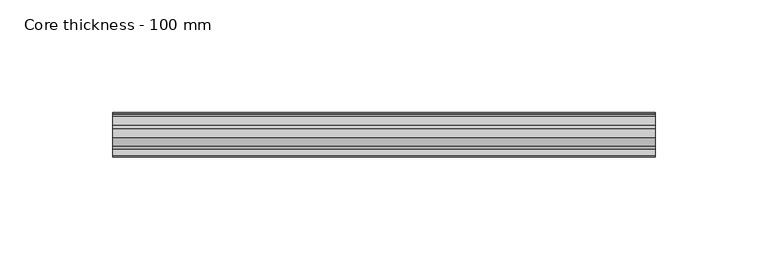
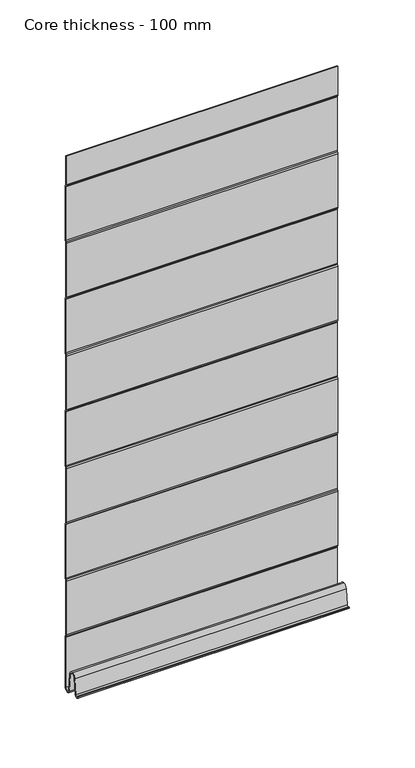
"""IFC4 building model written with IfcOpenShell, lengths in millimetres: plate geometry, Core thickness - 100 mm."""

from ifc_helpers import new_model, si_unit, frame, origin, place, context, project, spatial, polyline, circle_curve, source, transform, mapped, element, save
from ifc_brep_helpers import plane_surface, cylinder_surface, revolved_surface, advanced_brep


def core_thickness_100_mm_8d5151e4(model_context):
    return source(origin(), model_context, "Body", "AdvancedBrep", [
        advanced_brep(
        [(-119.9999998, -0.7003051, 473.4703605), (-119.9999998, -0.4016712, 472.4190026), (-119.9999998, -0.0003051, 470.9985637), (-119.9999998, -0.0003051, 420.8387805), (-119.9999998, -0.4034608, 419.4194474), (-119.9999998, -0.7003051, 418.3669837), (-119.9999998, -0.7003051, 368.2072005), (-119.9999998, -0.4016712, 367.1558426), (-119.9999998, -0.0003051, 365.7354037), (-119.9999998, -0.0003051, 315.5756205), (-119.9999998, -0.4034608, 314.1562874), (-119.9999998, -0.7003051, 313.1038237), (-119.9999998, -0.7003051, 262.9440405), (-119.9999998, -0.4016712, 261.8926826), (-119.9999998, -0.0003051, 260.4722437), (-119.9999998, -0.0003051, 210.3124605), (-119.9999998, -0.4034608, 208.8931274), (-119.9999998, -0.7003051, 207.8406637), (-119.9999998, -0.7003051, 157.6808805), (-119.9999998, -0.4016712, 156.6295226), (-119.9999998, -0.0003051, 155.2090837), (-119.9999998, -0.0003051, 105.0493005), (-119.9999998, -0.4034608, 103.6299674), (-119.9999998, -0.7003051, 102.5775037), (-119.9999998, -0.7003051, 52.4177205), (-119.9999998, -0.4016712, 51.3663626), (-119.9999998, -0.0003051, 49.9459237), (-119.9999998, -0.0003051, 3.0900682), (-119.9999998, -6.18551, 2.7875612), (-119.9999998, -7.802884, 19.2828169), (-119.9999998, -10.8223285, 21.9898782), (-119.9999998, -13.8417729, 19.2828169), (-119.9999998, -15.2274002, 5.1510966), (-119.9999998, -19.6169005, 5.365779), (-119.9999998, -18.8169005, 5.365779), (-119.9999998, -16.0235822, 5.2291629), (-119.9999998, -14.6379549, 19.3608832), (-119.9999998, -10.8223285, 22.7899182), (-119.9999998, -7.0067021, 19.3608832), (-119.9999998, -5.3893281, 2.8656275), (-119.9999998, -0.8003051, 3.0900682), (-119.9999998, -0.8, 49.9459237), (-119.9999998, -1.0986697, 50.9973395), (-119.9999998, -1.5003051, 52.4177205), (-119.9999998, -1.5003051, 102.5775037), (-119.9999998, -1.0971009, 103.9969151), (-119.9999998, -0.8, 105.0493005), (-119.9999998, -0.8, 155.2090837), (-119.9999998, -1.0986697, 156.2604995), (-119.9999998, -1.5003051, 157.6808805), (-119.9999998, -1.5003051, 207.8406637), (-119.9999998, -1.0971009, 209.2600751), (-119.9999998, -0.8, 210.3124605), (-119.9999998, -0.8, 260.4722437), (-119.9999998, -1.0986697, 261.5236595), (-119.9999998, -1.5003051, 262.9440405), (-119.9999998, -1.5003051, 313.1038237), (-119.9999998, -1.0971009, 314.5232351), (-119.9999998, -0.8, 315.5756205), (-119.9999998, -0.8, 365.7354037), (-119.9999998, -1.0986697, 366.7868195), (-119.9999998, -1.5003051, 368.2072005), (-119.9999998, -1.5003051, 418.3669837), (-119.9999998, -1.0971009, 419.7863951), (-119.9999998, -0.8, 420.8387805), (-119.9999998, -0.8, 470.9985637), (-119.9999998, -1.0986697, 472.0499795), (-119.9999998, -1.5003051, 473.4703605), (-119.9999998, -1.5003051, 500.0), (-119.9999998, -0.7003051, 500.0), (119.9999998, -1.5003051, 473.4703605), (119.9999998, -1.0971009, 472.0509491), (119.9999998, -0.8, 470.9985637), (119.9999998, -0.8, 420.8387805), (119.9999998, -1.0986697, 419.7873646), (119.9999998, -1.5003051, 418.3669837), (119.9999998, -1.5003051, 368.2072005), (119.9999998, -1.0971009, 366.7877891), (119.9999998, -0.8, 365.7354037), (119.9999998, -0.8, 315.5756205), (119.9999998, -1.0986697, 314.5242046), (119.9999998, -1.5003051, 313.1038237), (119.9999998, -1.5003051, 262.9440405), (119.9999998, -1.0971009, 261.5246291), (119.9999998, -0.8, 260.4722437), (119.9999998, -0.8, 210.3124605), (119.9999998, -1.0986697, 209.2610446), (119.9999998, -1.5003051, 207.8406637), (119.9999998, -1.5003051, 157.6808805), (119.9999998, -1.0971009, 156.2614691), (119.9999998, -0.8, 155.2090837), (119.9999998, -0.8, 105.0493005), (119.9999998, -1.0986697, 103.9978846), (119.9999998, -1.5003051, 102.5775037), (119.9999998, -1.5003051, 52.4177205), (119.9999998, -1.0971009, 50.9983091), (119.9999998, -0.8, 49.9459237), (119.9999998, -0.8, 3.0900682), (119.9999998, -5.3893281, 2.8656275), (119.9999998, -7.0067021, 19.3608832), (119.9999998, -10.8223285, 22.7899182), (119.9999998, -14.6379549, 19.3608832), (119.9999998, -16.0235822, 5.2291629), (119.9999998, -18.8169005, 5.365779), (119.9999998, -19.6169005, 5.365779), (119.9999998, -15.2274002, 5.1510966), (119.9999998, -13.8417729, 19.2828169), (119.9999998, -10.8223285, 21.9898782), (119.9999998, -7.802884, 19.2828169), (119.9999998, -6.18551, 2.7875612), (119.9999998, -0.0003051, 3.0900682), (119.9999998, -0.0003051, 49.9459237), (119.9999998, -0.4034608, 51.3652568), (119.9999998, -0.7003051, 52.4177205), (119.9999998, -0.7003051, 102.5775037), (119.9999998, -0.4016712, 103.6288615), (119.9999998, -0.0003051, 105.0493005), (119.9999998, -0.0003051, 155.2090837), (119.9999998, -0.4034608, 156.6284168), (119.9999998, -0.7003051, 157.6808805), (119.9999998, -0.7003051, 207.8406637), (119.9999998, -0.4016712, 208.8920215), (119.9999998, -0.0003051, 210.3124605), (119.9999998, -0.0003051, 260.4722437), (119.9999998, -0.4034608, 261.8915768), (119.9999998, -0.7003051, 262.9440405), (119.9999998, -0.7003051, 313.1038237), (119.9999998, -0.4016712, 314.1551815), (119.9999998, -0.0003051, 315.5756205), (119.9999998, -0.0003051, 365.7354037), (119.9999998, -0.4034608, 367.1547368), (119.9999998, -0.7003051, 368.2072005), (119.9999998, -0.7003051, 418.3669837), (119.9999998, -0.4016712, 419.4183415), (119.9999998, -0.0003051, 420.8387805), (119.9999998, -0.0003051, 470.9985637), (119.9999998, -0.4034608, 472.4178968), (119.9999998, -0.7003051, 473.4703605), (119.9999998, -0.7003051, 500.0), (119.9999998, -1.5003051, 500.0)],
        [
            (0, 1, circle_curve(frame((-119.9999998, 1.2996949, 473.4703605), z_axis=(1.0, 0.0, 0.0), x_axis=(0.0, 0.0, -1.0)), 2.0)),
            (1, 2, circle_curve(frame((-119.9999998, -2.7003051, 470.9985637), z_axis=(-1.0, 0.0, 0.0), x_axis=(0.0, 0.0, -1.0)), 2.7)),
            (2, 3),
            (3, 4, circle_curve(frame((-119.9999998, -2.7003051, 420.8387805), z_axis=(-1.0, 0.0, 0.0), x_axis=(0.0, 0.0, -1.0)), 2.7)),
            (4, 5, circle_curve(frame((-119.9999998, 1.2996949, 418.3669837), z_axis=(1.0, 0.0, 0.0), x_axis=(0.0, 0.0, -1.0)), 2.0)),
            (5, 6),
            (6, 7, circle_curve(frame((-119.9999998, 1.2996949, 368.2072005), z_axis=(1.0, 0.0, 0.0), x_axis=(0.0, 0.0, -1.0)), 2.0)),
            (7, 8, circle_curve(frame((-119.9999998, -2.7003051, 365.7354037), z_axis=(-1.0, 0.0, 0.0), x_axis=(0.0, 0.0, -1.0)), 2.7)),
            (8, 9),
            (9, 10, circle_curve(frame((-119.9999998, -2.7003051, 315.5756205), z_axis=(-1.0, 0.0, 0.0), x_axis=(0.0, 0.0, -1.0)), 2.7)),
            (10, 11, circle_curve(frame((-119.9999998, 1.2996949, 313.1038237), z_axis=(1.0, 0.0, 0.0), x_axis=(0.0, 0.0, -1.0)), 2.0)),
            (11, 12),
            (12, 13, circle_curve(frame((-119.9999998, 1.2996949, 262.9440405), z_axis=(1.0, 0.0, 0.0), x_axis=(0.0, 0.0, -1.0)), 2.0)),
            (13, 14, circle_curve(frame((-119.9999998, -2.7003051, 260.4722437), z_axis=(-1.0, 0.0, 0.0), x_axis=(0.0, 0.0, -1.0)), 2.7)),
            (14, 15),
            (15, 16, circle_curve(frame((-119.9999998, -2.7003051, 210.3124605), z_axis=(-1.0, 0.0, 0.0), x_axis=(0.0, 0.0, -1.0)), 2.7)),
            (16, 17, circle_curve(frame((-119.9999998, 1.2996949, 207.8406637), z_axis=(1.0, 0.0, 0.0), x_axis=(0.0, 0.0, -1.0)), 2.0)),
            (17, 18),
            (18, 19, circle_curve(frame((-119.9999998, 1.2996949, 157.6808805), z_axis=(1.0, 0.0, 0.0), x_axis=(0.0, 0.0, -1.0)), 2.0)),
            (19, 20, circle_curve(frame((-119.9999998, -2.7003051, 155.2090837), z_axis=(-1.0, 0.0, 0.0), x_axis=(0.0, 0.0, -1.0)), 2.7)),
            (20, 21),
            (21, 22, circle_curve(frame((-119.9999998, -2.7003051, 105.0493005), z_axis=(-1.0, 0.0, 0.0), x_axis=(0.0, 0.0, -1.0)), 2.7)),
            (22, 23, circle_curve(frame((-119.9999998, 1.2996949, 102.5775037), z_axis=(1.0, 0.0, 0.0), x_axis=(0.0, 0.0, -1.0)), 2.0)),
            (23, 24),
            (24, 25, circle_curve(frame((-119.9999998, 1.2996949, 52.4177205), z_axis=(1.0, 0.0, 0.0), x_axis=(0.0, 0.0, -1.0)), 2.0)),
            (25, 26, circle_curve(frame((-119.9999998, -2.7003051, 49.9459237), z_axis=(-1.0, 0.0, 0.0), x_axis=(0.0, 0.0, -1.0)), 2.7)),
            (26, 27),
            (27, 28, circle_curve(frame((-119.9999998, -3.1003051, 3.0900682), z_axis=(-1.0, 0.0, 0.0), x_axis=(0.0, 0.0, -1.0)), 3.1)),
            (28, 29),
            (29, 30, circle_curve(frame((-119.9999998, -10.7885662, 18.9900682), z_axis=(1.0, 0.0, 0.0), x_axis=(0.0, 0.0, -1.0)), 3.0)),
            (30, 31, circle_curve(frame((-119.9999998, -10.8560907, 18.9900682), z_axis=(1.0, 0.0, 0.0), x_axis=(0.0, 0.0, -1.0)), 3.0)),
            (31, 32),
            (32, 33, circle_curve(frame((-119.9999998, -17.4169005, 5.365779), z_axis=(-1.0, 0.0, 0.0), x_axis=(0.0, 0.0, -1.0)), 2.2)),
            (33, 34),
            (34, 35, circle_curve(frame((-119.9999998, -17.4169005, 5.365779), z_axis=(1.0, 0.0, 0.0), x_axis=(0.0, 0.0, -1.0)), 1.4)),
            (35, 36),
            (36, 37, circle_curve(frame((-119.9999998, -10.8560907, 18.9900682), z_axis=(-1.0, 0.0, 0.0), x_axis=(0.0, 0.0, -1.0)), 3.8)),
            (37, 38, circle_curve(frame((-119.9999998, -10.7885662, 18.9900682), z_axis=(-1.0, 0.0, 0.0), x_axis=(0.0, 0.0, -1.0)), 3.8)),
            (38, 39),
            (39, 40, circle_curve(frame((-119.9999998, -3.1003051, 3.0900682), z_axis=(1.0, 0.0, 0.0), x_axis=(0.0, 0.0, -1.0)), 2.3)),
            (40, 41),
            (41, 42, circle_curve(frame((-119.9999998, -2.8, 49.9459237), z_axis=(1.0, 0.0, 0.0), x_axis=(0.0, 0.0, -1.0)), 2.0)),
            (42, 43, circle_curve(frame((-119.9999998, 1.1996949, 52.4177205), z_axis=(-1.0, 0.0, 0.0), x_axis=(0.0, 0.0, -1.0)), 2.7)),
            (43, 44),
            (44, 45, circle_curve(frame((-119.9999998, 1.1996949, 102.5775037), z_axis=(-1.0, 0.0, 0.0), x_axis=(0.0, 0.0, -1.0)), 2.7)),
            (45, 46, circle_curve(frame((-119.9999998, -2.8, 105.0493005), z_axis=(1.0, 0.0, 0.0), x_axis=(0.0, 0.0, -1.0)), 2.0)),
            (46, 47),
            (47, 48, circle_curve(frame((-119.9999998, -2.8, 155.2090837), z_axis=(1.0, 0.0, 0.0), x_axis=(0.0, 0.0, -1.0)), 2.0)),
            (48, 49, circle_curve(frame((-119.9999998, 1.1996949, 157.6808805), z_axis=(-1.0, 0.0, 0.0), x_axis=(0.0, 0.0, -1.0)), 2.7)),
            (49, 50),
            (50, 51, circle_curve(frame((-119.9999998, 1.1996949, 207.8406637), z_axis=(-1.0, 0.0, 0.0), x_axis=(0.0, 0.0, -1.0)), 2.7)),
            (51, 52, circle_curve(frame((-119.9999998, -2.8, 210.3124605), z_axis=(1.0, 0.0, 0.0), x_axis=(0.0, 0.0, -1.0)), 2.0)),
            (52, 53),
            (53, 54, circle_curve(frame((-119.9999998, -2.8, 260.4722437), z_axis=(1.0, 0.0, 0.0), x_axis=(0.0, 0.0, -1.0)), 2.0)),
            (54, 55, circle_curve(frame((-119.9999998, 1.1996949, 262.9440405), z_axis=(-1.0, 0.0, 0.0), x_axis=(0.0, 0.0, -1.0)), 2.7)),
            (55, 56),
            (56, 57, circle_curve(frame((-119.9999998, 1.1996949, 313.1038237), z_axis=(-1.0, 0.0, 0.0), x_axis=(0.0, 0.0, -1.0)), 2.7)),
            (57, 58, circle_curve(frame((-119.9999998, -2.8, 315.5756205), z_axis=(1.0, 0.0, 0.0), x_axis=(0.0, 0.0, -1.0)), 2.0)),
            (58, 59),
            (59, 60, circle_curve(frame((-119.9999998, -2.8, 365.7354037), z_axis=(1.0, 0.0, 0.0), x_axis=(0.0, 0.0, -1.0)), 2.0)),
            (60, 61, circle_curve(frame((-119.9999998, 1.1996949, 368.2072005), z_axis=(-1.0, 0.0, 0.0), x_axis=(0.0, 0.0, -1.0)), 2.7)),
            (61, 62),
            (62, 63, circle_curve(frame((-119.9999998, 1.1996949, 418.3669837), z_axis=(-1.0, 0.0, 0.0), x_axis=(0.0, 0.0, -1.0)), 2.7)),
            (63, 64, circle_curve(frame((-119.9999998, -2.8, 420.8387805), z_axis=(1.0, 0.0, 0.0), x_axis=(0.0, 0.0, -1.0)), 2.0)),
            (64, 65),
            (65, 66, circle_curve(frame((-119.9999998, -2.8, 470.9985637), z_axis=(1.0, 0.0, 0.0), x_axis=(0.0, 0.0, -1.0)), 2.0)),
            (66, 67, circle_curve(frame((-119.9999998, 1.1996949, 473.4703605), z_axis=(-1.0, 0.0, 0.0), x_axis=(0.0, 0.0, -1.0)), 2.7)),
            (67, 68),
            (68, 69),
            (69, 0),
            (70, 71, circle_curve(frame((119.9999998, 1.1996949, 473.4703605), z_axis=(1.0, 0.0, 0.0), x_axis=(0.0, 0.0, -1.0)), 2.7)),
            (71, 72, circle_curve(frame((119.9999998, -2.8, 470.9985637), z_axis=(-1.0, 0.0, 0.0), x_axis=(0.0, 0.0, -1.0)), 2.0)),
            (72, 73),
            (73, 74, circle_curve(frame((119.9999998, -2.8, 420.8387805), z_axis=(-1.0, 0.0, 0.0), x_axis=(0.0, 0.0, -1.0)), 2.0)),
            (74, 75, circle_curve(frame((119.9999998, 1.1996949, 418.3669837), z_axis=(1.0, 0.0, 0.0), x_axis=(0.0, 0.0, -1.0)), 2.7)),
            (75, 76),
            (76, 77, circle_curve(frame((119.9999998, 1.1996949, 368.2072005), z_axis=(1.0, 0.0, 0.0), x_axis=(0.0, 0.0, -1.0)), 2.7)),
            (77, 78, circle_curve(frame((119.9999998, -2.8, 365.7354037), z_axis=(-1.0, 0.0, 0.0), x_axis=(0.0, 0.0, -1.0)), 2.0)),
            (78, 79),
            (79, 80, circle_curve(frame((119.9999998, -2.8, 315.5756205), z_axis=(-1.0, 0.0, 0.0), x_axis=(0.0, 0.0, -1.0)), 2.0)),
            (80, 81, circle_curve(frame((119.9999998, 1.1996949, 313.1038237), z_axis=(1.0, 0.0, 0.0), x_axis=(0.0, 0.0, -1.0)), 2.7)),
            (81, 82),
            (82, 83, circle_curve(frame((119.9999998, 1.1996949, 262.9440405), z_axis=(1.0, 0.0, 0.0), x_axis=(0.0, 0.0, -1.0)), 2.7)),
            (83, 84, circle_curve(frame((119.9999998, -2.8, 260.4722437), z_axis=(-1.0, 0.0, 0.0), x_axis=(0.0, 0.0, -1.0)), 2.0)),
            (84, 85),
            (85, 86, circle_curve(frame((119.9999998, -2.8, 210.3124605), z_axis=(-1.0, 0.0, 0.0), x_axis=(0.0, 0.0, -1.0)), 2.0)),
            (86, 87, circle_curve(frame((119.9999998, 1.1996949, 207.8406637), z_axis=(1.0, 0.0, 0.0), x_axis=(0.0, 0.0, -1.0)), 2.7)),
            (87, 88),
            (88, 89, circle_curve(frame((119.9999998, 1.1996949, 157.6808805), z_axis=(1.0, 0.0, 0.0), x_axis=(0.0, 0.0, -1.0)), 2.7)),
            (89, 90, circle_curve(frame((119.9999998, -2.8, 155.2090837), z_axis=(-1.0, 0.0, 0.0), x_axis=(0.0, 0.0, -1.0)), 2.0)),
            (90, 91),
            (91, 92, circle_curve(frame((119.9999998, -2.8, 105.0493005), z_axis=(-1.0, 0.0, 0.0), x_axis=(0.0, 0.0, -1.0)), 2.0)),
            (92, 93, circle_curve(frame((119.9999998, 1.1996949, 102.5775037), z_axis=(1.0, 0.0, 0.0), x_axis=(0.0, 0.0, -1.0)), 2.7)),
            (93, 94),
            (94, 95, circle_curve(frame((119.9999998, 1.1996949, 52.4177205), z_axis=(1.0, 0.0, 0.0), x_axis=(0.0, 0.0, -1.0)), 2.7)),
            (95, 96, circle_curve(frame((119.9999998, -2.8, 49.9459237), z_axis=(-1.0, 0.0, 0.0), x_axis=(0.0, 0.0, -1.0)), 2.0)),
            (96, 97),
            (97, 98, circle_curve(frame((119.9999998, -3.1003051, 3.0900682), z_axis=(-1.0, 0.0, 0.0), x_axis=(0.0, 0.0, -1.0)), 2.3)),
            (98, 99),
            (99, 100, circle_curve(frame((119.9999998, -10.7885662, 18.9900682), z_axis=(1.0, 0.0, 0.0), x_axis=(0.0, 0.0, -1.0)), 3.8)),
            (100, 101, circle_curve(frame((119.9999998, -10.8560907, 18.9900682), z_axis=(1.0, 0.0, 0.0), x_axis=(0.0, 0.0, -1.0)), 3.8)),
            (101, 102),
            (102, 103, circle_curve(frame((119.9999998, -17.4169005, 5.365779), z_axis=(-1.0, 0.0, 0.0), x_axis=(0.0, 0.0, -1.0)), 1.4)),
            (103, 104),
            (104, 105, circle_curve(frame((119.9999998, -17.4169005, 5.365779), z_axis=(1.0, 0.0, 0.0), x_axis=(0.0, 0.0, -1.0)), 2.2)),
            (105, 106),
            (106, 107, circle_curve(frame((119.9999998, -10.8560907, 18.9900682), z_axis=(-1.0, 0.0, 0.0), x_axis=(0.0, 0.0, -1.0)), 3.0)),
            (107, 108, circle_curve(frame((119.9999998, -10.7885662, 18.9900682), z_axis=(-1.0, 0.0, 0.0), x_axis=(0.0, 0.0, -1.0)), 3.0)),
            (108, 109),
            (109, 110, circle_curve(frame((119.9999998, -3.1003051, 3.0900682), z_axis=(1.0, 0.0, 0.0), x_axis=(0.0, 0.0, -1.0)), 3.1)),
            (110, 111),
            (111, 112, circle_curve(frame((119.9999998, -2.7003051, 49.9459237), z_axis=(1.0, 0.0, 0.0), x_axis=(0.0, 0.0, -1.0)), 2.7)),
            (112, 113, circle_curve(frame((119.9999998, 1.2996949, 52.4177205), z_axis=(-1.0, 0.0, 0.0), x_axis=(0.0, 0.0, -1.0)), 2.0)),
            (113, 114),
            (114, 115, circle_curve(frame((119.9999998, 1.2996949, 102.5775037), z_axis=(-1.0, 0.0, 0.0), x_axis=(0.0, 0.0, -1.0)), 2.0)),
            (115, 116, circle_curve(frame((119.9999998, -2.7003051, 105.0493005), z_axis=(1.0, 0.0, 0.0), x_axis=(0.0, 0.0, -1.0)), 2.7)),
            (116, 117),
            (117, 118, circle_curve(frame((119.9999998, -2.7003051, 155.2090837), z_axis=(1.0, 0.0, 0.0), x_axis=(0.0, 0.0, -1.0)), 2.7)),
            (118, 119, circle_curve(frame((119.9999998, 1.2996949, 157.6808805), z_axis=(-1.0, 0.0, 0.0), x_axis=(0.0, 0.0, -1.0)), 2.0)),
            (119, 120),
            (120, 121, circle_curve(frame((119.9999998, 1.2996949, 207.8406637), z_axis=(-1.0, 0.0, 0.0), x_axis=(0.0, 0.0, -1.0)), 2.0)),
            (121, 122, circle_curve(frame((119.9999998, -2.7003051, 210.3124605), z_axis=(1.0, 0.0, 0.0), x_axis=(0.0, 0.0, -1.0)), 2.7)),
            (122, 123),
            (123, 124, circle_curve(frame((119.9999998, -2.7003051, 260.4722437), z_axis=(1.0, 0.0, 0.0), x_axis=(0.0, 0.0, -1.0)), 2.7)),
            (124, 125, circle_curve(frame((119.9999998, 1.2996949, 262.9440405), z_axis=(-1.0, 0.0, 0.0), x_axis=(0.0, 0.0, -1.0)), 2.0)),
            (125, 126),
            (126, 127, circle_curve(frame((119.9999998, 1.2996949, 313.1038237), z_axis=(-1.0, 0.0, 0.0), x_axis=(0.0, 0.0, -1.0)), 2.0)),
            (127, 128, circle_curve(frame((119.9999998, -2.7003051, 315.5756205), z_axis=(1.0, 0.0, 0.0), x_axis=(0.0, 0.0, -1.0)), 2.7)),
            (128, 129),
            (129, 130, circle_curve(frame((119.9999998, -2.7003051, 365.7354037), z_axis=(1.0, 0.0, 0.0), x_axis=(0.0, 0.0, -1.0)), 2.7)),
            (130, 131, circle_curve(frame((119.9999998, 1.2996949, 368.2072005), z_axis=(-1.0, 0.0, 0.0), x_axis=(0.0, 0.0, -1.0)), 2.0)),
            (131, 132),
            (132, 133, circle_curve(frame((119.9999998, 1.2996949, 418.3669837), z_axis=(-1.0, 0.0, 0.0), x_axis=(0.0, 0.0, -1.0)), 2.0)),
            (133, 134, circle_curve(frame((119.9999998, -2.7003051, 420.8387805), z_axis=(1.0, 0.0, 0.0), x_axis=(0.0, 0.0, -1.0)), 2.7)),
            (134, 135),
            (135, 136, circle_curve(frame((119.9999998, -2.7003051, 470.9985637), z_axis=(1.0, 0.0, 0.0), x_axis=(0.0, 0.0, -1.0)), 2.7)),
            (136, 137, circle_curve(frame((119.9999998, 1.2996949, 473.4703605), z_axis=(-1.0, 0.0, 0.0), x_axis=(0.0, 0.0, -1.0)), 2.0)),
            (137, 138),
            (138, 139),
            (139, 70),
            (67, 70),
            (139, 68),
            (66, 71),
            (65, 72),
            (64, 73),
            (63, 74),
            (62, 75),
            (61, 76),
            (60, 77),
            (59, 78),
            (58, 79),
            (57, 80),
            (56, 81),
            (55, 82),
            (54, 83),
            (53, 84),
            (52, 85),
            (51, 86),
            (50, 87),
            (49, 88),
            (48, 89),
            (47, 90),
            (46, 91),
            (45, 92),
            (44, 93),
            (43, 94),
            (42, 95),
            (41, 96),
            (40, 97),
            (39, 98),
            (38, 99),
            (37, 100),
            (36, 101),
            (35, 102),
            (34, 103),
            (33, 104),
            (32, 105),
            (31, 106),
            (30, 107),
            (29, 108),
            (28, 109),
            (27, 110),
            (26, 111),
            (25, 112),
            (24, 113),
            (23, 114),
            (22, 115),
            (21, 116),
            (20, 117),
            (19, 118),
            (18, 119),
            (17, 120),
            (16, 121),
            (15, 122),
            (14, 123),
            (13, 124),
            (12, 125),
            (11, 126),
            (10, 127),
            (9, 128),
            (8, 129),
            (7, 130),
            (6, 131),
            (5, 132),
            (4, 133),
            (3, 134),
            (2, 135),
            (1, 136),
            (0, 137),
            (69, 138),
        ],
        [
            plane_surface(frame((-119.9999998, 0.0, 0.0), z_axis=(-1.0, 0.0, 0.0), x_axis=(0.0, -1.0, 0.0))),
            plane_surface(frame((119.9999998, 0.0, 0.0), z_axis=(1.0, 0.0, 0.0), x_axis=(0.0, -1.0, 0.0))),
            plane_surface(frame((-119.9999998, -1.5003051, 473.4703605), z_axis=(0.0, -1.0, 0.0), x_axis=(1.0, 0.0, 0.0))),
            cylinder_surface(frame((-119.9999998, 1.1996949, 473.4703605), z_axis=(-1.0, 0.0, 0.0), x_axis=(0.0, 0.0, -1.0)), 2.7),
            revolved_surface(polyline([(119.9999998, -2.8, 468.9985637), (-119.9999998, -2.8, 468.9985637)]), (-119.9999998, -2.8, 470.9985637), (1.0, 0.0, 0.0)),
            plane_surface(frame((-119.9999998, -0.8, 420.8387805), z_axis=(0.0, -1.0, 0.0), x_axis=(1.0, 0.0, 0.0))),
            revolved_surface(polyline([(119.9999998, -2.8, 418.8387805), (-119.9999998, -2.8, 418.8387805)]), (-119.9999998, -2.8, 420.8387805), (1.0, 0.0, 0.0)),
            cylinder_surface(frame((-119.9999998, 1.1996949, 418.3669837), z_axis=(-1.0, 0.0, 0.0), x_axis=(0.0, 0.0, -1.0)), 2.7),
            plane_surface(frame((-119.9999998, -1.5003051, 368.2072005), z_axis=(0.0, -1.0, 0.0), x_axis=(1.0, 0.0, 0.0))),
            cylinder_surface(frame((-119.9999998, 1.1996949, 368.2072005), z_axis=(-1.0, 0.0, 0.0), x_axis=(0.0, 0.0, -1.0)), 2.7),
            revolved_surface(polyline([(119.9999998, -2.8, 363.7354037), (-119.9999998, -2.8, 363.7354037)]), (-119.9999998, -2.8, 365.7354037), (1.0, 0.0, 0.0)),
            plane_surface(frame((-119.9999998, -0.8, 315.5756205), z_axis=(0.0, -1.0, 0.0), x_axis=(1.0, 0.0, 0.0))),
            revolved_surface(polyline([(119.9999998, -2.8, 313.5756205), (-119.9999998, -2.8, 313.5756205)]), (-119.9999998, -2.8, 315.5756205), (1.0, 0.0, 0.0)),
            cylinder_surface(frame((-119.9999998, 1.1996949, 313.1038237), z_axis=(-1.0, 0.0, 0.0), x_axis=(0.0, 0.0, -1.0)), 2.7),
            plane_surface(frame((-119.9999998, -1.5003051, 262.9440405), z_axis=(0.0, -1.0, 0.0), x_axis=(1.0, 0.0, 0.0))),
            cylinder_surface(frame((-119.9999998, 1.1996949, 262.9440405), z_axis=(-1.0, 0.0, 0.0), x_axis=(0.0, 0.0, -1.0)), 2.7),
            revolved_surface(polyline([(119.9999998, -2.8, 258.4722437), (-119.9999998, -2.8, 258.4722437)]), (-119.9999998, -2.8, 260.4722437), (1.0, 0.0, 0.0)),
            plane_surface(frame((-119.9999998, -0.8, 210.3124605), z_axis=(0.0, -1.0, 0.0), x_axis=(1.0, 0.0, 0.0))),
            revolved_surface(polyline([(119.9999998, -2.8, 208.3124605), (-119.9999998, -2.8, 208.3124605)]), (-119.9999998, -2.8, 210.3124605), (1.0, 0.0, 0.0)),
            cylinder_surface(frame((-119.9999998, 1.1996949, 207.8406637), z_axis=(-1.0, 0.0, 0.0), x_axis=(0.0, 0.0, -1.0)), 2.7),
            plane_surface(frame((-119.9999998, -1.5003051, 157.6808805), z_axis=(0.0, -1.0, 0.0), x_axis=(1.0, 0.0, 0.0))),
            cylinder_surface(frame((-119.9999998, 1.1996949, 157.6808805), z_axis=(-1.0, 0.0, 0.0), x_axis=(0.0, 0.0, -1.0)), 2.7),
            revolved_surface(polyline([(119.9999998, -2.8, 153.2090837), (-119.9999998, -2.8, 153.2090837)]), (-119.9999998, -2.8, 155.2090837), (1.0, 0.0, 0.0)),
            plane_surface(frame((-119.9999998, -0.8, 105.0493005), z_axis=(0.0, -1.0, 0.0), x_axis=(1.0, 0.0, 0.0))),
            revolved_surface(polyline([(119.9999998, -2.8, 103.0493005), (-119.9999998, -2.8, 103.0493005)]), (-119.9999998, -2.8, 105.0493005), (1.0, 0.0, 0.0)),
            cylinder_surface(frame((-119.9999998, 1.1996949, 102.5775037), z_axis=(-1.0, 0.0, 0.0), x_axis=(0.0, 0.0, -1.0)), 2.7),
            plane_surface(frame((-119.9999998, -1.5003051, 52.4177205), z_axis=(0.0, -1.0, 0.0), x_axis=(1.0, 0.0, 0.0))),
            cylinder_surface(frame((-119.9999998, 1.1996949, 52.4177205), z_axis=(-1.0, 0.0, 0.0), x_axis=(0.0, 0.0, -1.0)), 2.7),
            revolved_surface(polyline([(119.9999998, -2.8, 47.9459237), (-119.9999998, -2.8, 47.9459237)]), (-119.9999998, -2.8, 49.9459237), (1.0, 0.0, 0.0)),
            plane_surface(frame((-119.9999998, -0.8, 3.0900682), z_axis=(0.0, -1.0, 0.0), x_axis=(1.0, 0.0, 0.0))),
            revolved_surface(polyline([(119.9999998, -3.1003051, 0.7900682000000003), (-119.9999998, -3.1003051, 0.7900682000000003)]), (-119.9999998, -3.1003051, 3.0900682), (1.0, 0.0, 0.0)),
            plane_surface(frame((-119.9999998, -7.0067021, 19.3608832), z_axis=(0.0, 0.9952273999818314, 0.09758289975914787), x_axis=(1.0, 0.0, 0.0))),
            cylinder_surface(frame((-119.9999998, -10.7885662, 18.9900682), z_axis=(-1.0, 0.0, 0.0), x_axis=(0.0, 0.0, -1.0)), 3.8),
            cylinder_surface(frame((-119.9999998, -10.8560907, 18.9900682), z_axis=(-1.0, 0.0, 0.0), x_axis=(0.0, 0.0, -1.0)), 3.8),
            plane_surface(frame((-119.9999998, -16.0235822, 5.2291629), z_axis=(0.0, -0.9952273999818297, 0.09758289975916531), x_axis=(1.0, 0.0, 0.0))),
            revolved_surface(polyline([(119.9999998, -17.4169005, 3.965779), (-119.9999998, -17.4169005, 3.965779)]), (-119.9999998, -17.4169005, 5.365779), (1.0, 0.0, 0.0)),
            plane_surface(frame((-119.9999998, -19.6169005, 5.365779), z_axis=(0.0, 0.0, 1.0), x_axis=(1.0, 0.0, 0.0))),
            cylinder_surface(frame((-119.9999998, -17.4169005, 5.365779), z_axis=(-1.0, 0.0, 0.0), x_axis=(0.0, 0.0, -1.0)), 2.2),
            plane_surface(frame((-119.9999998, -13.8417729, 19.2828169), z_axis=(0.0, 0.9952273999818296, -0.09758289975916527), x_axis=(1.0, 0.0, 0.0))),
            revolved_surface(polyline([(119.9999998, -10.8560907, 15.9900682), (-119.9999998, -10.8560907, 15.9900682)]), (-119.9999998, -10.8560907, 18.9900682), (1.0, 0.0, 0.0)),
            revolved_surface(polyline([(119.9999998, -10.7885662, 15.9900682), (-119.9999998, -10.7885662, 15.9900682)]), (-119.9999998, -10.7885662, 18.9900682), (1.0, 0.0, 0.0)),
            plane_surface(frame((-119.9999998, -6.18551, 2.7875612), z_axis=(0.0, -0.9952273999818314, -0.09758289975914787), x_axis=(1.0, 0.0, 0.0))),
            cylinder_surface(frame((-119.9999998, -3.1003051, 3.0900682), z_axis=(-1.0, 0.0, 0.0), x_axis=(0.0, 0.0, -1.0)), 3.1),
            plane_surface(frame((-119.9999998, -0.0003051, 49.9459237), z_axis=(0.0, 1.0, 0.0), x_axis=(1.0, 0.0, 0.0))),
            cylinder_surface(frame((-119.9999998, -2.7003051, 49.9459237), z_axis=(-1.0, 0.0, 0.0), x_axis=(0.0, 0.0, -1.0)), 2.7),
            revolved_surface(polyline([(119.9999998, 1.2996949, 50.4177205), (-119.9999998, 1.2996949, 50.4177205)]), (-119.9999998, 1.2996949, 52.4177205), (1.0, 0.0, 0.0)),
            plane_surface(frame((-119.9999998, -0.7003051, 102.5775037), z_axis=(0.0, 1.0, 0.0), x_axis=(1.0, 0.0, 0.0))),
            revolved_surface(polyline([(119.9999998, 1.2996949, 100.5775037), (-119.9999998, 1.2996949, 100.5775037)]), (-119.9999998, 1.2996949, 102.5775037), (1.0, 0.0, 0.0)),
            cylinder_surface(frame((-119.9999998, -2.7003051, 105.0493005), z_axis=(-1.0, 0.0, 0.0), x_axis=(0.0, 0.0, -1.0)), 2.7),
            plane_surface(frame((-119.9999998, -0.0003051, 155.2090837), z_axis=(0.0, 1.0, 0.0), x_axis=(1.0, 0.0, 0.0))),
            cylinder_surface(frame((-119.9999998, -2.7003051, 155.2090837), z_axis=(-1.0, 0.0, 0.0), x_axis=(0.0, 0.0, -1.0)), 2.7),
            revolved_surface(polyline([(119.9999998, 1.2996949, 155.6808805), (-119.9999998, 1.2996949, 155.6808805)]), (-119.9999998, 1.2996949, 157.6808805), (1.0, 0.0, 0.0)),
            plane_surface(frame((-119.9999998, -0.7003051, 207.8406637), z_axis=(0.0, 1.0, 0.0), x_axis=(1.0, 0.0, 0.0))),
            revolved_surface(polyline([(119.9999998, 1.2996949, 205.8406637), (-119.9999998, 1.2996949, 205.8406637)]), (-119.9999998, 1.2996949, 207.8406637), (1.0, 0.0, 0.0)),
            cylinder_surface(frame((-119.9999998, -2.7003051, 210.3124605), z_axis=(-1.0, 0.0, 0.0), x_axis=(0.0, 0.0, -1.0)), 2.7),
            plane_surface(frame((-119.9999998, -0.0003051, 260.4722437), z_axis=(0.0, 1.0, 0.0), x_axis=(1.0, 0.0, 0.0))),
            cylinder_surface(frame((-119.9999998, -2.7003051, 260.4722437), z_axis=(-1.0, 0.0, 0.0), x_axis=(0.0, 0.0, -1.0)), 2.7),
            revolved_surface(polyline([(119.9999998, 1.2996949, 260.9440405), (-119.9999998, 1.2996949, 260.9440405)]), (-119.9999998, 1.2996949, 262.9440405), (1.0, 0.0, 0.0)),
            plane_surface(frame((-119.9999998, -0.7003051, 313.1038237), z_axis=(0.0, 1.0, 0.0), x_axis=(1.0, 0.0, 0.0))),
            revolved_surface(polyline([(119.9999998, 1.2996949, 311.1038237), (-119.9999998, 1.2996949, 311.1038237)]), (-119.9999998, 1.2996949, 313.1038237), (1.0, 0.0, 0.0)),
            cylinder_surface(frame((-119.9999998, -2.7003051, 315.5756205), z_axis=(-1.0, 0.0, 0.0), x_axis=(0.0, 0.0, -1.0)), 2.7),
            plane_surface(frame((-119.9999998, -0.0003051, 365.7354037), z_axis=(0.0, 1.0, 0.0), x_axis=(1.0, 0.0, 0.0))),
            cylinder_surface(frame((-119.9999998, -2.7003051, 365.7354037), z_axis=(-1.0, 0.0, 0.0), x_axis=(0.0, 0.0, -1.0)), 2.7),
            revolved_surface(polyline([(119.9999998, 1.2996949, 366.2072005), (-119.9999998, 1.2996949, 366.2072005)]), (-119.9999998, 1.2996949, 368.2072005), (1.0, 0.0, 0.0)),
            plane_surface(frame((-119.9999998, -0.7003051, 418.3669837), z_axis=(0.0, 1.0, 0.0), x_axis=(1.0, 0.0, 0.0))),
            revolved_surface(polyline([(119.9999998, 1.2996949, 416.3669837), (-119.9999998, 1.2996949, 416.3669837)]), (-119.9999998, 1.2996949, 418.3669837), (1.0, 0.0, 0.0)),
            cylinder_surface(frame((-119.9999998, -2.7003051, 420.8387805), z_axis=(-1.0, 0.0, 0.0), x_axis=(0.0, 0.0, -1.0)), 2.7),
            plane_surface(frame((-119.9999998, -0.0003051, 470.9985637), z_axis=(0.0, 1.0, 0.0), x_axis=(1.0, 0.0, 0.0))),
            cylinder_surface(frame((-119.9999998, -2.7003051, 470.9985637), z_axis=(-1.0, 0.0, 0.0), x_axis=(0.0, 0.0, -1.0)), 2.7),
            revolved_surface(polyline([(119.9999998, 1.2996949, 471.4703605), (-119.9999998, 1.2996949, 471.4703605)]), (-119.9999998, 1.2996949, 473.4703605), (1.0, 0.0, 0.0)),
            plane_surface(frame((-119.9999998, -0.7003051, 523.6301437), z_axis=(0.0, 1.0, 0.0), x_axis=(1.0, 0.0, 0.0))),
            plane_surface(frame((-119.9999998, 134.0533409, 500.0), z_axis=(0.0, 0.0, 1.0), x_axis=(1.0, 0.0, 0.0))),
        ],
        [
            (0, [[1, 2, 3, 4, 5, 6, 7, 8, 9, 10, 11, 12, 13, 14, 15, 16, 17, 18, 19, 20, 21, 22, 23, 24, 25, 26, 27, 28, 29, 30, 31, 32, 33, 34, 35, 36, 37, 38, 39, 40, 41, 42, 43, 44, 45, 46, 47, 48, 49, 50, 51, 52, 53, 54, 55, 56, 57, 58, 59, 60, 61, 62, 63, 64, 65, 66, 67, 68, 69, 70]]),
            (1, [[71, 72, 73, 74, 75, 76, 77, 78, 79, 80, 81, 82, 83, 84, 85, 86, 87, 88, 89, 90, 91, 92, 93, 94, 95, 96, 97, 98, 99, 100, 101, 102, 103, 104, 105, 106, 107, 108, 109, 110, 111, 112, 113, 114, 115, 116, 117, 118, 119, 120, 121, 122, 123, 124, 125, 126, 127, 128, 129, 130, 131, 132, 133, 134, 135, 136, 137, 138, 139, 140]]),
            (2, [[141, -140, 142, -68]]),
            (3, [[-67, 143, -71, -141]]),
            (4, [[-66, 144, -72, -143]]),
            (5, [[-65, 145, -73, -144]]),
            (6, [[-64, 146, -74, -145]]),
            (7, [[-63, 147, -75, -146]]),
            (8, [[-62, 148, -76, -147]]),
            (9, [[-61, 149, -77, -148]]),
            (10, [[-60, 150, -78, -149]]),
            (11, [[-59, 151, -79, -150]]),
            (12, [[-58, 152, -80, -151]]),
            (13, [[-57, 153, -81, -152]]),
            (14, [[-56, 154, -82, -153]]),
            (15, [[-55, 155, -83, -154]]),
            (16, [[-54, 156, -84, -155]]),
            (17, [[-53, 157, -85, -156]]),
            (18, [[-52, 158, -86, -157]]),
            (19, [[-51, 159, -87, -158]]),
            (20, [[-50, 160, -88, -159]]),
            (21, [[-49, 161, -89, -160]]),
            (22, [[-48, 162, -90, -161]]),
            (23, [[-47, 163, -91, -162]]),
            (24, [[-46, 164, -92, -163]]),
            (25, [[-45, 165, -93, -164]]),
            (26, [[-44, 166, -94, -165]]),
            (27, [[-43, 167, -95, -166]]),
            (28, [[-42, 168, -96, -167]]),
            (29, [[-41, 169, -97, -168]]),
            (30, [[-40, 170, -98, -169]]),
            (31, [[-39, 171, -99, -170]]),
            (32, [[-38, 172, -100, -171]]),
            (33, [[-37, 173, -101, -172]]),
            (34, [[-36, 174, -102, -173]]),
            (35, [[-35, 175, -103, -174]]),
            (36, [[-34, 176, -104, -175]]),
            (37, [[-33, 177, -105, -176]]),
            (38, [[-32, 178, -106, -177]]),
            (39, [[-31, 179, -107, -178]]),
            (40, [[-30, 180, -108, -179]]),
            (41, [[-29, 181, -109, -180]]),
            (42, [[-28, 182, -110, -181]]),
            (43, [[-27, 183, -111, -182]]),
            (44, [[-26, 184, -112, -183]]),
            (45, [[-25, 185, -113, -184]]),
            (46, [[-24, 186, -114, -185]]),
            (47, [[-23, 187, -115, -186]]),
            (48, [[-22, 188, -116, -187]]),
            (49, [[-21, 189, -117, -188]]),
            (50, [[-20, 190, -118, -189]]),
            (51, [[-19, 191, -119, -190]]),
            (52, [[-18, 192, -120, -191]]),
            (53, [[-17, 193, -121, -192]]),
            (54, [[-16, 194, -122, -193]]),
            (55, [[-15, 195, -123, -194]]),
            (56, [[-14, 196, -124, -195]]),
            (57, [[-13, 197, -125, -196]]),
            (58, [[-12, 198, -126, -197]]),
            (59, [[-11, 199, -127, -198]]),
            (60, [[-10, 200, -128, -199]]),
            (61, [[-9, 201, -129, -200]]),
            (62, [[-8, 202, -130, -201]]),
            (63, [[-7, 203, -131, -202]]),
            (64, [[-6, 204, -132, -203]]),
            (65, [[-5, 205, -133, -204]]),
            (66, [[-4, 206, -134, -205]]),
            (67, [[-3, 207, -135, -206]]),
            (68, [[-2, 208, -136, -207]]),
            (69, [[-1, 209, -137, -208]]),
            (70, [[-209, -70, 210, -138]]),
            (71, [[-69, -142, -139, -210]]),
        ],
    ),
    ])


if __name__ == "__main__":
    model = new_model("IFC4")
    model_context = context("Model", 3, world=origin())
    ifc_project = project(units=[si_unit("LENGTHUNIT", "METRE", prefix="MILLI")], contexts=[model_context])
    site = spatial("IfcSite", under=ifc_project)
    building = spatial("IfcBuilding", under=site)
    placement = place(None, origin())
    core_thickness_100_mm_shape = core_thickness_100_mm_8d5151e4(model_context)
    element("IfcPlate", 1, ObjectType="Core thickness - 100 mm", at=placement, inside=building, context=model_context, shape_type="MappedRepresentation", body=[
        mapped(core_thickness_100_mm_shape, transform((0.0, 0.0, 0.0), x_axis=(1.0, 0.0, 0.0), y_axis=(0.0, 1.0, 0.0), z_axis=(0.0, 0.0, 1.0))),
    ])
    save(model, "model.ifc")
